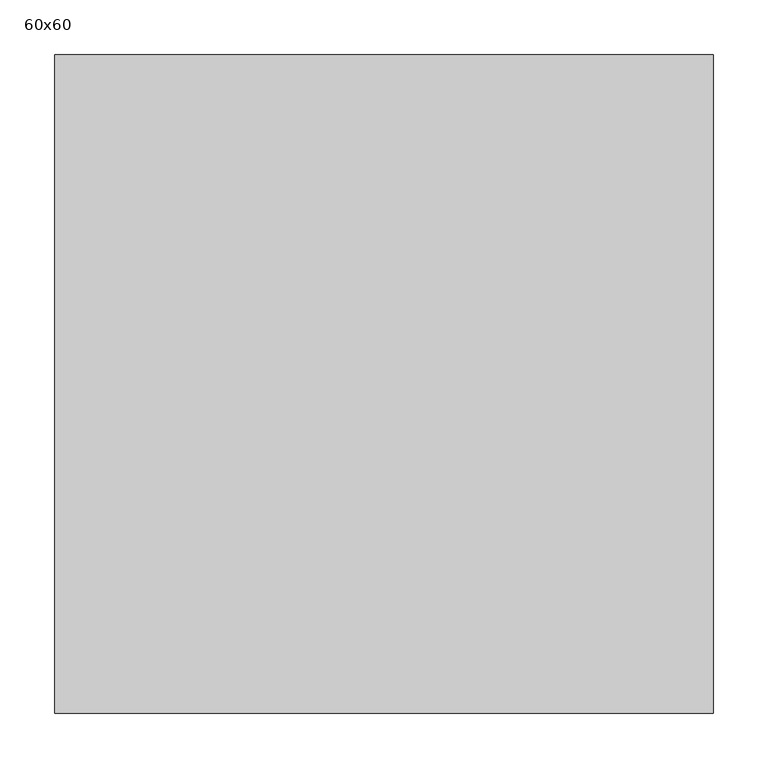
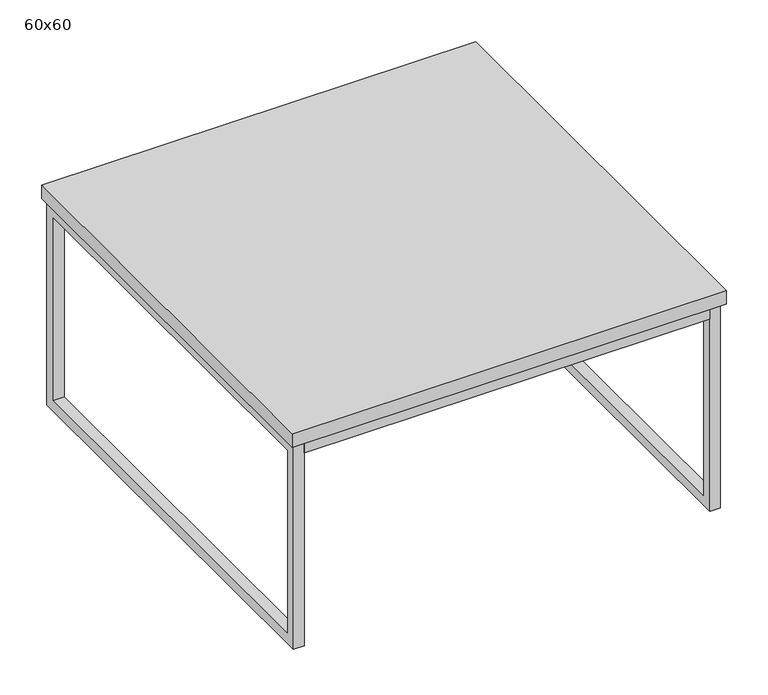
"""IFC4 building model written with IfcOpenShell, lengths in millimetres: furniture geometry, 60x60."""

from ifc_helpers import new_model, si_unit, point, frame, frame_2d, origin, place, context, project, spatial, polyline, circle_curve, trimmed, segment, composite_curve, outline, extrude, source, transform, mapped, element, save


def furniture_60x60_c3fe3b92(model_context):
    return source(origin(), model_context, "Body", "SweptSolid", [
        extrude(outline(composite_curve([segment(trimmed(circle_curve(frame_2d((82.55, -11.8295393)), 5.08), [point((77.47, -11.8295393))], [point((87.63, -11.8295393))], False, "CARTESIAN"), True, "CONTINUOUS"), segment(trimmed(circle_curve(frame_2d((82.55, -11.8295393)), 5.08), [point((87.63, -11.8295393))], [point((77.47, -11.8295393))], False, "CARTESIAN"), True, "CONTINUOUS")], self_intersect=False)), frame((0.0, 0.0, 296.8626582), z_axis=(0.0, 0.0, 1.0), x_axis=(1.0, 0.0, 0.0)), (0.0, 0.0, 1.0), 3.4530603),
        extrude(outline(composite_curve([segment(trimmed(circle_curve(frame_2d((82.55, -587.3661025)), 5.08), [point((77.47, -587.3661025))], [point((87.63, -587.3661025))], False, "CARTESIAN"), True, "CONTINUOUS"), segment(trimmed(circle_curve(frame_2d((82.55, -587.3661025)), 5.08), [point((87.63, -587.3661025))], [point((77.47, -587.3661025))], False, "CARTESIAN"), True, "CONTINUOUS")], self_intersect=False)), frame((0.0, 0.0, 296.8626582), z_axis=(0.0, 0.0, 1.0), x_axis=(1.0, 0.0, 0.0)), (0.0, 0.0, 1.0), 3.4530603),
        extrude(outline(composite_curve([segment(trimmed(circle_curve(frame_2d((517.45, -11.8295393)), 5.08), [point((512.37, -11.8295393))], [point((522.53, -11.8295393))], False, "CARTESIAN"), True, "CONTINUOUS"), segment(trimmed(circle_curve(frame_2d((517.45, -11.8295393)), 5.08), [point((522.53, -11.8295393))], [point((512.37, -11.8295393))], False, "CARTESIAN"), True, "CONTINUOUS")], self_intersect=False)), frame((0.0, 0.0, 296.8626582), z_axis=(0.0, 0.0, 1.0), x_axis=(1.0, 0.0, 0.0)), (0.0, 0.0, 1.0), 3.4530603),
        extrude(outline(composite_curve([segment(trimmed(circle_curve(frame_2d((517.45, -587.3661025)), 5.08), [point((512.37, -587.3661025))], [point((522.53, -587.3661025))], False, "CARTESIAN"), True, "CONTINUOUS"), segment(trimmed(circle_curve(frame_2d((517.45, -587.3661025)), 5.08), [point((522.53, -587.3661025))], [point((512.37, -587.3661025))], False, "CARTESIAN"), True, "CONTINUOUS")], self_intersect=False)), frame((0.0, 0.0, 296.8626582), z_axis=(0.0, 0.0, 1.0), x_axis=(1.0, 0.0, 0.0)), (0.0, 0.0, 1.0), 3.4530603),
        extrude(outline(composite_curve([segment(trimmed(circle_curve(frame_2d((300.0, -11.8295393)), 5.08), [point((294.92, -11.8295393))], [point((305.08, -11.8295393))], False, "CARTESIAN"), True, "CONTINUOUS"), segment(trimmed(circle_curve(frame_2d((300.0, -11.8295393)), 5.08), [point((305.08, -11.8295393))], [point((294.92, -11.8295393))], False, "CARTESIAN"), True, "CONTINUOUS")], self_intersect=False)), frame((0.0, 0.0, 296.8626582), z_axis=(0.0, 0.0, 1.0), x_axis=(1.0, 0.0, 0.0)), (0.0, 0.0, 1.0), 3.4530603),
        extrude(outline(composite_curve([segment(trimmed(circle_curve(frame_2d((300.0, -587.3661025)), 5.08), [point((294.92, -587.3661025))], [point((305.08, -587.3661025))], False, "CARTESIAN"), True, "CONTINUOUS"), segment(trimmed(circle_curve(frame_2d((300.0, -587.3661025)), 5.08), [point((305.08, -587.3661025))], [point((294.92, -587.3661025))], False, "CARTESIAN"), True, "CONTINUOUS")], self_intersect=False)), frame((0.0, 0.0, 296.8626582), z_axis=(0.0, 0.0, 1.0), x_axis=(1.0, 0.0, 0.0)), (0.0, 0.0, 1.0), 3.4530603),
        extrude(outline(composite_curve([segment(trimmed(circle_curve(frame_2d((12.2549749, -82.55)), 5.08), [point((7.1749749, -82.55))], [point((17.3349749, -82.55))], False, "CARTESIAN"), True, "CONTINUOUS"), segment(trimmed(circle_curve(frame_2d((12.2549749, -82.55)), 5.08), [point((17.3349749, -82.55))], [point((7.1749749, -82.55))], False, "CARTESIAN"), True, "CONTINUOUS")], self_intersect=False)), frame((0.0, 0.0, 296.8626582), z_axis=(0.0, 0.0, 1.0), x_axis=(1.0, 0.0, 0.0)), (0.0, 0.0, 1.0), 3.4530603),
        extrude(outline(composite_curve([segment(trimmed(circle_curve(frame_2d((12.2549749, -300.0)), 5.08), [point((7.1749749, -300.0))], [point((17.3349749, -300.0))], False, "CARTESIAN"), True, "CONTINUOUS"), segment(trimmed(circle_curve(frame_2d((12.2549749, -300.0)), 5.08), [point((17.3349749, -300.0))], [point((7.1749749, -300.0))], False, "CARTESIAN"), True, "CONTINUOUS")], self_intersect=False)), frame((0.0, 0.0, 296.8626582), z_axis=(0.0, 0.0, 1.0), x_axis=(1.0, 0.0, 0.0)), (0.0, 0.0, 1.0), 3.4530603),
        extrude(outline(composite_curve([segment(trimmed(circle_curve(frame_2d((12.2549749, -517.45)), 5.08), [point((7.1749749, -517.45))], [point((17.3349749, -517.45))], False, "CARTESIAN"), True, "CONTINUOUS"), segment(trimmed(circle_curve(frame_2d((12.2549749, -517.45)), 5.08), [point((17.3349749, -517.45))], [point((7.1749749, -517.45))], False, "CARTESIAN"), True, "CONTINUOUS")], self_intersect=False)), frame((0.0, 0.0, 296.8626582), z_axis=(0.0, 0.0, 1.0), x_axis=(1.0, 0.0, 0.0)), (0.0, 0.0, 1.0), 3.4530603),
        extrude(outline(composite_curve([segment(trimmed(circle_curve(frame_2d((587.8490251, -82.55)), 5.08), [point((582.7690251, -82.55))], [point((592.9290251, -82.55))], False, "CARTESIAN"), True, "CONTINUOUS"), segment(trimmed(circle_curve(frame_2d((587.8490251, -82.55)), 5.08), [point((592.9290251, -82.55))], [point((582.7690251, -82.55))], False, "CARTESIAN"), True, "CONTINUOUS")], self_intersect=False)), frame((0.0, 0.0, 296.8626582), z_axis=(0.0, 0.0, 1.0), x_axis=(1.0, 0.0, 0.0)), (0.0, 0.0, 1.0), 3.4530603),
        extrude(outline(composite_curve([segment(trimmed(circle_curve(frame_2d((587.8490251, -300.0)), 5.08), [point((582.7690251, -300.0))], [point((592.9290251, -300.0))], False, "CARTESIAN"), True, "CONTINUOUS"), segment(trimmed(circle_curve(frame_2d((587.8490251, -300.0)), 5.08), [point((592.9290251, -300.0))], [point((582.7690251, -300.0))], False, "CARTESIAN"), True, "CONTINUOUS")], self_intersect=False)), frame((0.0, 0.0, 296.8626582), z_axis=(0.0, 0.0, 1.0), x_axis=(1.0, 0.0, 0.0)), (0.0, 0.0, 1.0), 3.4530603),
        extrude(outline(composite_curve([segment(trimmed(circle_curve(frame_2d((587.8490251, -517.45)), 5.08), [point((582.7690251, -517.45))], [point((592.9290251, -517.45))], False, "CARTESIAN"), True, "CONTINUOUS"), segment(trimmed(circle_curve(frame_2d((587.8490251, -517.45)), 5.08), [point((592.9290251, -517.45))], [point((582.7690251, -517.45))], False, "CARTESIAN"), True, "CONTINUOUS")], self_intersect=False)), frame((0.0, 0.0, 296.8626582), z_axis=(0.0, 0.0, 1.0), x_axis=(1.0, 0.0, 0.0)), (0.0, 0.0, 1.0), 3.4530603),
        extrude(outline(polyline([(580.219228, -4.2938053), (580.219228, -19.2935438), (19.780772, -19.2935438), (19.780772, -4.2938053), (580.219228, -4.2938053)])), frame((0.0, 0.0, 281.8629197), z_axis=(0.0, 0.0, 1.0), x_axis=(1.0, 0.0, 0.0)), (0.0, 0.0, 1.0), 14.9997385),
        extrude(outline(polyline([(580.219228, -579.4321784), (580.219228, -594.4319169), (19.780772, -594.4319169), (19.780772, -579.4321784), (580.219228, -579.4321784)])), frame((0.0, 0.0, 281.8629197), z_axis=(0.0, 0.0, 1.0), x_axis=(1.0, 0.0, 0.0)), (0.0, 0.0, 1.0), 14.9997385),
        extrude(outline(polyline([(-594.4319169, 296.8626582), (-4.2938053, 296.8626582), (-4.2938053, 0.0), (-594.4319169, 0.0), (-594.4319169, 296.8626582)]), holes=[polyline([(-579.4321784, 14.9997385), (-19.2935438, 14.9997385), (-19.2935438, 281.8629197), (-579.4321784, 281.8629197), (-579.4321784, 14.9997385)])]), frame((580.219228, 0.0, 0.0), z_axis=(1.0, 0.0, 0.0), x_axis=(0.0, 1.0, 0.0)), (0.0, 0.0, 1.0), 15.0515942),
        extrude(outline(polyline([(-594.4319169, 296.8626582), (-4.2938053, 296.8626582), (-4.2938053, 0.0), (-594.4319169, 0.0), (-594.4319169, 296.8626582)]), holes=[polyline([(-579.4321784, 14.9997385), (-19.2935438, 14.9997385), (-19.2935438, 281.8629197), (-579.4321784, 281.8629197), (-579.4321784, 14.9997385)])]), frame((4.7291778, 0.0, 0.0), z_axis=(1.0, 0.0, 0.0), x_axis=(0.0, 1.0, 0.0)), (0.0, 0.0, 1.0), 15.0515942),
        extrude(outline(polyline([(600.0, 0.0), (600.0, -600.0), (0.0, -600.0), (0.0, 0.0), (600.0, 0.0)])), frame((0.0, 0.0, 300.3157185), z_axis=(0.0, 0.0, 1.0), x_axis=(1.0, 0.0, 0.0)), (0.0, 0.0, 1.0), 19.6842815),
    ])


if __name__ == "__main__":
    model = new_model("IFC4")
    model_context = context("Model", 3, world=origin())
    ifc_project = project(units=[si_unit("LENGTHUNIT", "METRE", prefix="MILLI")], contexts=[model_context])
    site = spatial("IfcSite", under=ifc_project)
    building = spatial("IfcBuilding", under=site)
    placement = place(None, origin())
    furniture_60x60_shape = furniture_60x60_c3fe3b92(model_context)
    element("IfcFurniture", 1, ObjectType="60x60", at=placement, inside=building, context=model_context, shape_type="MappedRepresentation", body=[
        mapped(furniture_60x60_shape, transform((0.0, 0.0, 0.0), x_axis=(1.0, 0.0, 0.0), y_axis=(0.0, 1.0, 0.0), z_axis=(0.0, 0.0, 1.0))),
    ])
    save(model, "model.ifc")
